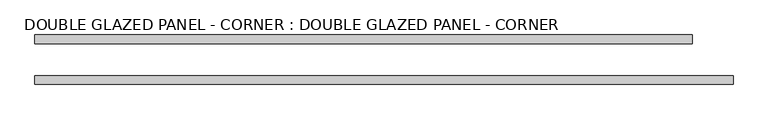
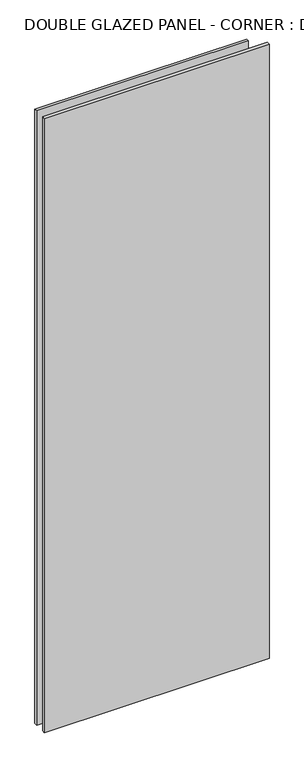
"""IFC4 building model written with IfcOpenShell, lengths in millimetres: plate geometry, DOUBLE GLAZED PANEL - CORNER : DOUBLE GLAZED PANEL - CORNER."""

from ifc_helpers import new_model, si_unit, origin, origin_with_axes, place, context, project, spatial, polyline, outline, extrude, source, transform, mapped, element, save


def double_glazed_panel_corner_double_glazed_panel_corner_fe8c8e5a(model_context):
    return source(origin(), model_context, "Body", "SweptSolid", [
        extrude(outline(polyline([(514.35, 6.35), (514.35, -6.35), (-514.35, -6.35), (-514.35, 6.35), (514.35, 6.35)])), origin_with_axes(), (0.0, 0.0, 1.0), 2971.8),
        extrude(outline(polyline([(454.025, 66.675), (454.025, 53.975), (-514.35, 53.975), (-514.35, 66.675), (454.025, 66.675)])), origin_with_axes(), (0.0, 0.0, 1.0), 2971.8),
    ])


if __name__ == "__main__":
    model = new_model("IFC4")
    model_context = context("Model", 3, world=origin())
    ifc_project = project(units=[si_unit("LENGTHUNIT", "METRE", prefix="MILLI")], contexts=[model_context])
    site = spatial("IfcSite", under=ifc_project)
    building = spatial("IfcBuilding", under=site)
    placement = place(None, origin())
    double_glazed_panel_corner_double_glazed_panel_corner_shape = double_glazed_panel_corner_double_glazed_panel_corner_fe8c8e5a(model_context)
    element("IfcPlate", 1, ObjectType="DOUBLE GLAZED PANEL - CORNER : DOUBLE GLAZED PANEL - CORNER", at=placement, inside=building, context=model_context, shape_type="MappedRepresentation", body=[
        mapped(double_glazed_panel_corner_double_glazed_panel_corner_shape, transform((0.0, 0.0, 0.0), x_axis=(1.0, 0.0, 0.0), y_axis=(0.0, 1.0, 0.0), z_axis=(0.0, 0.0, 1.0))),
    ])
    save(model, "model.ifc")
